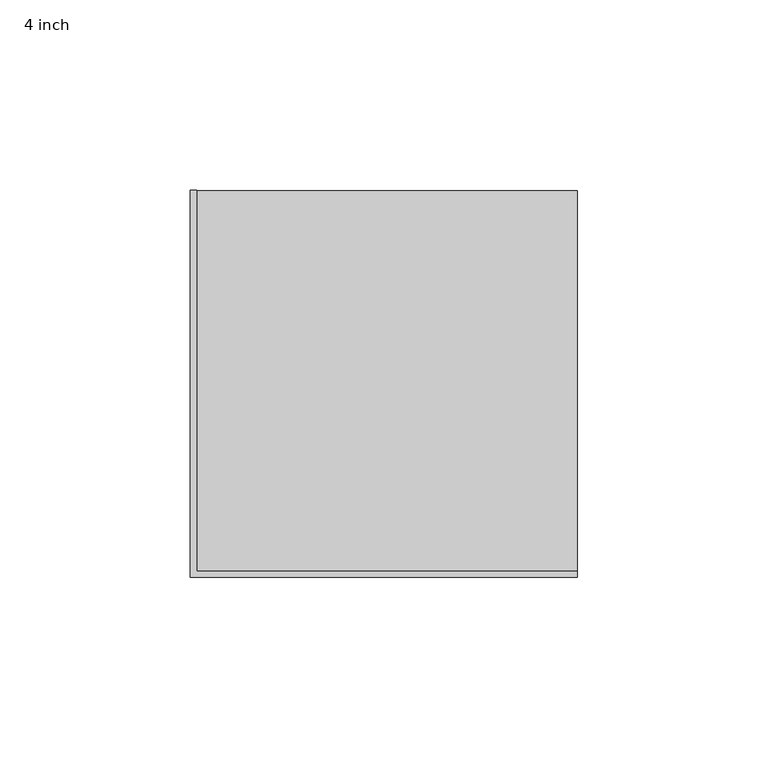
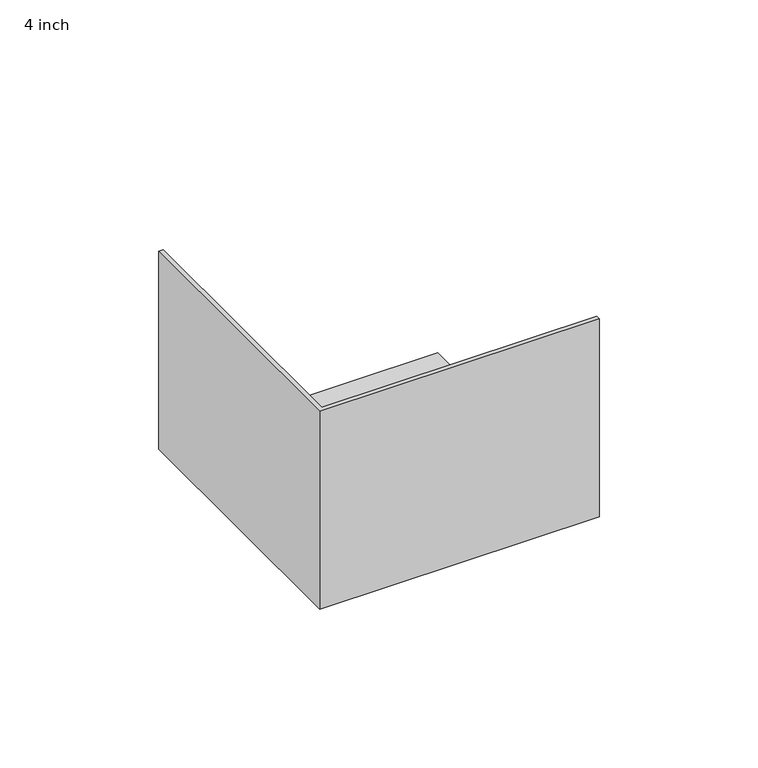
"""IFC4 building model written with IfcOpenShell, lengths in millimetres: proxy geometry, 4 inch."""

from ifc_helpers import new_model, si_unit, origin, place, context, project, spatial, faceted_brep, source, transform, mapped, element, save


def proxy_4_inch_bcef0454(model_context):
    return source(origin(), model_context, "Body", "Brep", [
        faceted_brep([(101.6, 101.6, 1.5875), (1.5875, 101.6, 1.5875), (1.5875, 1.5875, 1.5875), (101.6, 1.5875, 1.5875), (101.6, 101.6, 0.0), (101.6, 0.0, 0.0), (0.0, 0.0, 0.0), (0.0, 101.6, 0.0), (0.0, 101.6, 76.2), (1.5875, 101.6, 76.2), (0.0, 0.0, 76.2), (101.6, 0.0, 76.2), (101.6, 1.5875, 76.2), (1.5875, 1.5875, 76.2)], [[[0, 1, 2, 3]], [[4, 5, 6, 7]], [[0, 4, 7, 8, 9, 1]], [[8, 7, 6, 10]], [[10, 6, 5, 11]], [[4, 0, 3, 12, 11, 5]], [[10, 11, 12, 13, 9, 8]], [[13, 12, 3, 2]], [[9, 13, 2, 1]]]),
    ])


if __name__ == "__main__":
    model = new_model("IFC4")
    model_context = context("Model", 3, world=origin())
    ifc_project = project(units=[si_unit("LENGTHUNIT", "METRE", prefix="MILLI")], contexts=[model_context])
    site = spatial("IfcSite", under=ifc_project)
    building = spatial("IfcBuilding", under=site)
    placement = place(None, origin())
    proxy_4_inch_shape = proxy_4_inch_bcef0454(model_context)
    element("IfcBuildingElementProxy", 1, Name="4 inch", ObjectType="4 inch", at=placement, inside=building, context=model_context, shape_type="MappedRepresentation", body=[
        mapped(proxy_4_inch_shape, transform((0.0, 0.0, 0.0), x_axis=(1.0, 0.0, 0.0), y_axis=(0.0, 1.0, 0.0), z_axis=(0.0, 0.0, 1.0))),
    ])
    save(model, "model.ifc")
